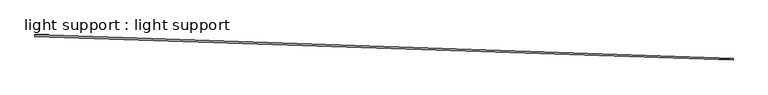
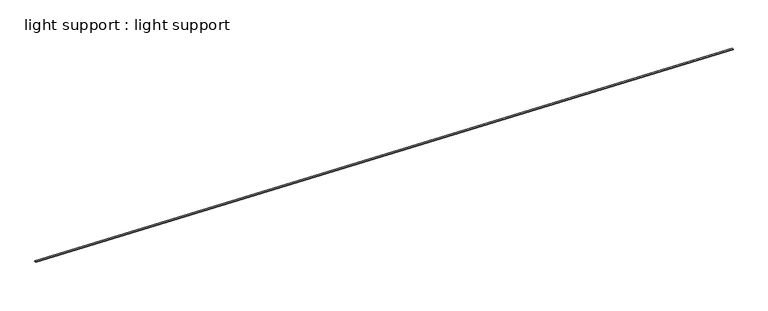
"""IFC4 building model written with IfcOpenShell, lengths in millimetres: proxy geometry, light support : light support."""

from ifc_helpers import new_model, si_unit, frame, origin, place, context, project, spatial, polyline, outline, extrude, source, transform, mapped, element, save


def light_support_light_support_be885c64(model_context):
    return source(origin(), model_context, "Body", "SweptSolid", [
        extrude(outline(polyline([(37.8359375, 0.0), (37.8373635, -14.0238009), (0.001426, -14.0238009), (0.0, 0.0), (37.8359375, 0.0)])), frame((34371.9668326, -14962.2719758, 4245.0551062), z_axis=(-0.9994149479163322, 0.034201781845322195, 0.0), x_axis=(-0.03407133148972435, -0.9956030402228385, -0.0872566941246249)), (0.0, 0.0, 1.0), 17068.8),
    ])


if __name__ == "__main__":
    model = new_model("IFC4")
    model_context = context("Model", 3, world=origin())
    ifc_project = project(units=[si_unit("LENGTHUNIT", "METRE", prefix="MILLI")], contexts=[model_context])
    site = spatial("IfcSite", under=ifc_project)
    building = spatial("IfcBuilding", under=site)
    placement = place(None, origin())
    light_support_light_support_shape = light_support_light_support_be885c64(model_context)
    element("IfcBuildingElementProxy", 1, Name="light support : light support", ObjectType="light support : light support", at=placement, inside=building, context=model_context, shape_type="MappedRepresentation", body=[
        mapped(light_support_light_support_shape, transform((0.0, 0.0, 0.0), x_axis=(1.0, 0.0, 0.0), y_axis=(0.0, 1.0, 0.0), z_axis=(0.0, 0.0, 1.0))),
    ])
    save(model, "model.ifc")
